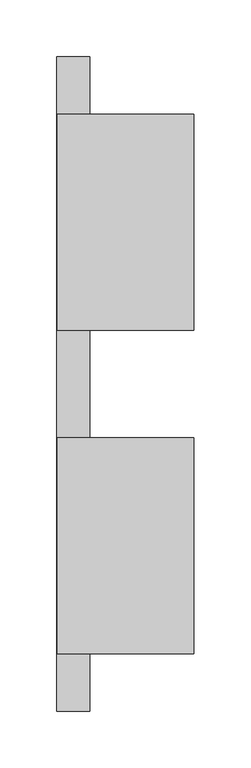
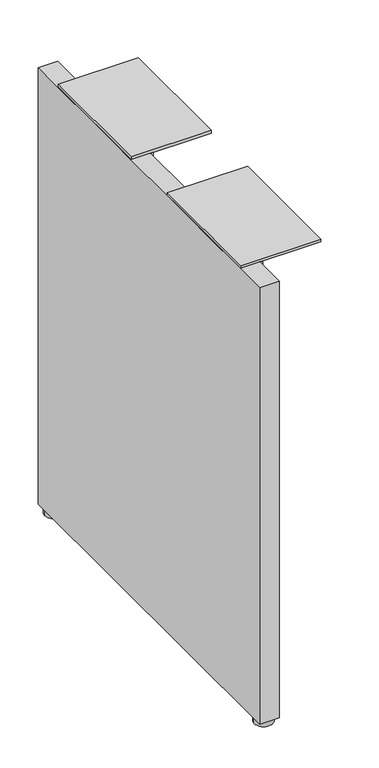
"""IFC4 building model written with IfcOpenShell, lengths in millimetres: furniture geometry."""

from ifc_helpers import new_model, si_unit, frame, origin, place, context, project, spatial, polyline, circle_curve, outline, extrude, source, transform, mapped, element, save
from ifc_brep_helpers import plane_surface, cylinder_surface, advanced_brep


def furniture_5bce399c(model_context):
    return source(origin(), model_context, "Body", "SolidModel", [
        extrude(outline(polyline([(-263.8239799, 658.2156222), (-263.8239799, 702.6656222), (-73.3239799, 702.6656222), (-73.3239799, 658.2156222), (-100.3114799, 631.2281222), (-236.8364799, 631.2281222), (-263.8239799, 658.2156222)])), frame((-732.788801, 0.0, 0.0), z_axis=(1.0, 0.0, 0.0), x_axis=(0.0, 1.0, 0.0)), (0.0, 0.0, 1.0), 4.318),
        extrude(outline(polyline([(21.1640201, 702.6656222), (211.6640201, 702.6656222), (211.6640201, 658.2156222), (184.6765201, 631.2281222), (48.1515201, 631.2281222), (21.1640201, 658.2156222), (21.1640201, 702.6656222)])), frame((-732.788801, 0.0, 0.0), z_axis=(1.0, 0.0, 0.0), x_axis=(0.0, 1.0, 0.0)), (0.0, 0.0, 1.0), 4.318),
        extrude(outline(polyline([(-761.998801, -314.6239799), (-761.998801, 262.4640201), (-732.788801, 262.4640201), (-732.788801, -314.6239799), (-761.998801, -314.6239799)])), frame((0.0, 0.0, 8.6614), z_axis=(0.0, 0.0, 1.0), x_axis=(1.0, 0.0, 0.0)), (0.0, 0.0, 1.0), 694.0042222),
        advanced_brep(
        [(-733.106301, 246.5890201, 0.0), (-761.681301, 246.5890201, 0.0), (-747.393801, 246.5890201, 0.0), (-733.106301, 246.5890201, 7.874), (-761.681301, 246.5890201, 7.874), (-742.631301, 246.5890201, 7.874), (-752.156301, 246.5890201, 7.874), (-742.631301, 246.5890201, 8.6614), (-752.156301, 246.5890201, 8.6614), (-747.393801, 246.5890201, 8.6614)],
        [
            (0, 1, circle_curve(frame((-747.393801, 246.5890201, 0.0), z_axis=(0.0, 0.0, -1.0), x_axis=(-1.0, 0.0, 0.0)), 14.2875)),
            (1, 2),
            (2, 0),
            (1, 0, circle_curve(frame((-747.393801, 246.5890201, 0.0), z_axis=(0.0, 0.0, -1.0), x_axis=(-1.0, 0.0, 0.0)), 14.2875)),
            (3, 4, circle_curve(frame((-747.393801, 246.5890201, 7.874), z_axis=(0.0, 0.0, -1.0), x_axis=(-1.0, 0.0, 0.0)), 14.2875)),
            (4, 1),
            (0, 3),
            (4, 3, circle_curve(frame((-747.393801, 246.5890201, 7.874), z_axis=(0.0, 0.0, -1.0), x_axis=(-1.0, 0.0, 0.0)), 14.2875)),
            (5, 6, circle_curve(frame((-747.393801, 246.5890201, 7.874), z_axis=(0.0, 0.0, -1.0), x_axis=(-1.0, 0.0, 0.0)), 4.7625)),
            (6, 4),
            (3, 5),
            (6, 5, circle_curve(frame((-747.393801, 246.5890201, 7.874), z_axis=(0.0, 0.0, -1.0), x_axis=(-1.0, 0.0, 0.0)), 4.7625)),
            (7, 8, circle_curve(frame((-747.393801, 246.5890201, 8.6614), z_axis=(0.0, 0.0, -1.0), x_axis=(-1.0, 0.0, 0.0)), 4.7625)),
            (8, 6),
            (5, 7),
            (8, 7, circle_curve(frame((-747.393801, 246.5890201, 8.6614), z_axis=(0.0, 0.0, -1.0), x_axis=(-1.0, 0.0, 0.0)), 4.7625)),
            (9, 8),
            (7, 9),
        ],
        [
            plane_surface(frame((-747.393801, 246.5890201, 0.0), z_axis=(0.0, 0.0, -1.0), x_axis=(-1.0, 0.0, 0.0))),
            cylinder_surface(frame((-747.393801, 246.5890201, -2.6032322), z_axis=(0.0, 0.0, 1.0), x_axis=(-1.0, 0.0, 0.0)), 14.2875),
            plane_surface(frame((-747.393801, 246.5890201, 7.874), z_axis=(0.0, 0.0, 1.0), x_axis=(-1.0, 0.0, 0.0))),
            cylinder_surface(frame((-747.393801, 246.5890201, -2.6032322), z_axis=(0.0, 0.0, 1.0), x_axis=(-1.0, 0.0, 0.0)), 4.7625),
            plane_surface(frame((-747.393801, 246.5890201, 8.6614), z_axis=(0.0, 0.0, 1.0), x_axis=(-1.0, 0.0, 0.0))),
        ],
        [
            (0, [[1, 2, 3]]),
            (0, [[4, -3, -2]]),
            (1, [[5, 6, -1, 7]]),
            (1, [[8, -7, -4, -6]]),
            (2, [[9, 10, -5, 11]]),
            (2, [[12, -11, -8, -10]]),
            (3, [[13, 14, -9, 15]]),
            (3, [[16, -15, -12, -14]]),
            (4, [[17, -13, 18]]),
            (4, [[-18, -16, -17]]),
        ],
    ),
        extrude(outline(polyline([(-640.993201, -73.3239799), (-640.993201, -263.8239799), (-761.643201, -263.8239799), (-761.643201, -73.3239799), (-640.993201, -73.3239799)])), frame((0.0, 0.0, 702.6656222), z_axis=(0.0, 0.0, 1.0), x_axis=(1.0, 0.0, 0.0)), (0.0, 0.0, 1.0), 4.3434),
        extrude(outline(polyline([(-640.993201, 211.6640201), (-640.993201, 21.1640201), (-761.643201, 21.1640201), (-761.643201, 211.6640201), (-640.993201, 211.6640201)])), frame((0.0, 0.0, 702.6656222), z_axis=(0.0, 0.0, 1.0), x_axis=(1.0, 0.0, 0.0)), (0.0, 0.0, 1.0), 4.3434),
        advanced_brep(
        [(-733.106301, -298.7489799, 0.0), (-761.681301, -298.7489799, 0.0), (-747.393801, -298.7489799, 0.0), (-733.106301, -298.7489799, 7.874), (-761.681301, -298.7489799, 7.874), (-742.631301, -298.7489799, 7.874), (-752.156301, -298.7489799, 7.874), (-742.631301, -298.7489799, 8.6614), (-752.156301, -298.7489799, 8.6614), (-747.393801, -298.7489799, 8.6614)],
        [
            (0, 1, circle_curve(frame((-747.393801, -298.7489799, 0.0), z_axis=(0.0, 0.0, -1.0), x_axis=(-1.0, 0.0, 0.0)), 14.2875)),
            (1, 2),
            (2, 0),
            (1, 0, circle_curve(frame((-747.393801, -298.7489799, 0.0), z_axis=(0.0, 0.0, -1.0), x_axis=(-1.0, 0.0, 0.0)), 14.2875)),
            (3, 4, circle_curve(frame((-747.393801, -298.7489799, 7.874), z_axis=(0.0, 0.0, -1.0), x_axis=(-1.0, 0.0, 0.0)), 14.2875)),
            (4, 1),
            (0, 3),
            (4, 3, circle_curve(frame((-747.393801, -298.7489799, 7.874), z_axis=(0.0, 0.0, -1.0), x_axis=(-1.0, 0.0, 0.0)), 14.2875)),
            (5, 6, circle_curve(frame((-747.393801, -298.7489799, 7.874), z_axis=(0.0, 0.0, -1.0), x_axis=(-1.0, 0.0, 0.0)), 4.7625)),
            (6, 4),
            (3, 5),
            (6, 5, circle_curve(frame((-747.393801, -298.7489799, 7.874), z_axis=(0.0, 0.0, -1.0), x_axis=(-1.0, 0.0, 0.0)), 4.7625)),
            (7, 8, circle_curve(frame((-747.393801, -298.7489799, 8.6614), z_axis=(0.0, 0.0, -1.0), x_axis=(-1.0, 0.0, 0.0)), 4.7625)),
            (8, 6),
            (5, 7),
            (8, 7, circle_curve(frame((-747.393801, -298.7489799, 8.6614), z_axis=(0.0, 0.0, -1.0), x_axis=(-1.0, 0.0, 0.0)), 4.7625)),
            (9, 8),
            (7, 9),
        ],
        [
            plane_surface(frame((-747.393801, -298.7489799, 0.0), z_axis=(0.0, 0.0, -1.0), x_axis=(-1.0, 0.0, 0.0))),
            cylinder_surface(frame((-747.393801, -298.7489799, -2.6032322), z_axis=(0.0, 0.0, 1.0), x_axis=(-1.0, 0.0, 0.0)), 14.2875),
            plane_surface(frame((-747.393801, -298.7489799, 7.874), z_axis=(0.0, 0.0, 1.0), x_axis=(-1.0, 0.0, 0.0))),
            cylinder_surface(frame((-747.393801, -298.7489799, -2.6032322), z_axis=(0.0, 0.0, 1.0), x_axis=(-1.0, 0.0, 0.0)), 4.7625),
            plane_surface(frame((-747.393801, -298.7489799, 8.6614), z_axis=(0.0, 0.0, 1.0), x_axis=(-1.0, 0.0, 0.0))),
        ],
        [
            (0, [[1, 2, 3]]),
            (0, [[4, -3, -2]]),
            (1, [[5, 6, -1, 7]]),
            (1, [[8, -7, -4, -6]]),
            (2, [[9, 10, -5, 11]]),
            (2, [[12, -11, -8, -10]]),
            (3, [[13, 14, -9, 15]]),
            (3, [[16, -15, -12, -14]]),
            (4, [[17, -13, 18]]),
            (4, [[-18, -16, -17]]),
        ],
    ),
    ])


if __name__ == "__main__":
    model = new_model("IFC4")
    model_context = context("Model", 3, world=origin())
    ifc_project = project(units=[si_unit("LENGTHUNIT", "METRE", prefix="MILLI")], contexts=[model_context])
    site = spatial("IfcSite", under=ifc_project)
    building = spatial("IfcBuilding", under=site)
    placement = place(None, origin())
    furniture_shape = furniture_5bce399c(model_context)
    element("IfcFurniture", 1, at=placement, inside=building, context=model_context, shape_type="MappedRepresentation", body=[
        mapped(furniture_shape, transform((0.0, 0.0, 0.0), x_axis=(1.0, 0.0, 0.0), y_axis=(0.0, 1.0, 0.0), z_axis=(0.0, 0.0, 1.0))),
    ])
    save(model, "model.ifc")
